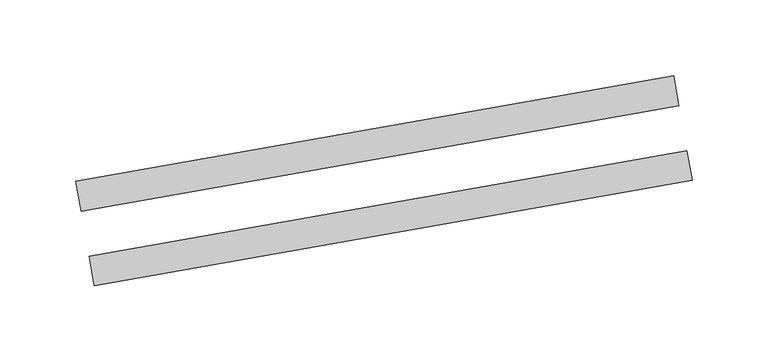
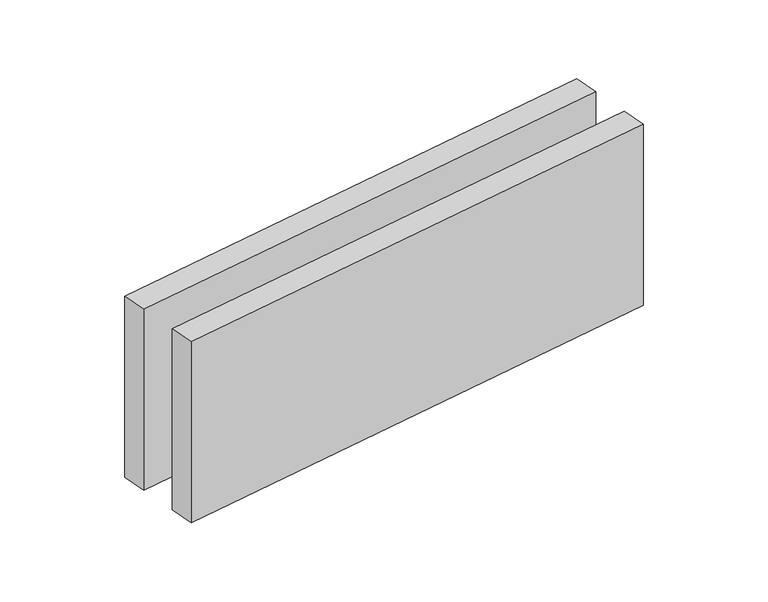
"""IFC4 building model written with IfcOpenShell, lengths in millimetres: proxy geometry."""

from ifc_helpers import new_model, si_unit, origin, origin_with_axes, place, context, project, spatial, polyline, outline, extrude, source, transform, mapped, element, save


def generic_models_edf4453d(model_context):
    return source(origin(), model_context, "Body", "SweptSolid", [
        extrude(outline(polyline([(396.5278239, 54.6871548), (400.0007874, 34.9909997), (6.0776862, -34.4682714), (2.6047227, -14.7721163), (396.5278239, 54.6871548)])), origin_with_axes(), (0.0, 0.0, 1.0), 150.0),
        extrude(outline(polyline([(387.845415, 103.9275424), (391.3183785, 84.2313874), (-2.6047227, 14.7721163), (-6.0776862, 34.4682714), (387.845415, 103.9275424)])), origin_with_axes(), (0.0, 0.0, 1.0), 150.0),
    ])


if __name__ == "__main__":
    model = new_model("IFC4")
    model_context = context("Model", 3, world=origin())
    ifc_project = project(units=[si_unit("LENGTHUNIT", "METRE", prefix="MILLI")], contexts=[model_context])
    site = spatial("IfcSite", under=ifc_project)
    building = spatial("IfcBuilding", under=site)
    placement = place(None, origin())
    generic_models_shape = generic_models_edf4453d(model_context)
    element("IfcBuildingElementProxy", 1, Name="Generic Models", at=placement, inside=building, context=model_context, shape_type="MappedRepresentation", body=[
        mapped(generic_models_shape, transform((0.0, 0.0, 0.0), x_axis=(1.0, 0.0, 0.0), y_axis=(0.0, 1.0, 0.0), z_axis=(0.0, 0.0, 1.0))),
    ])
    save(model, "model.ifc")
